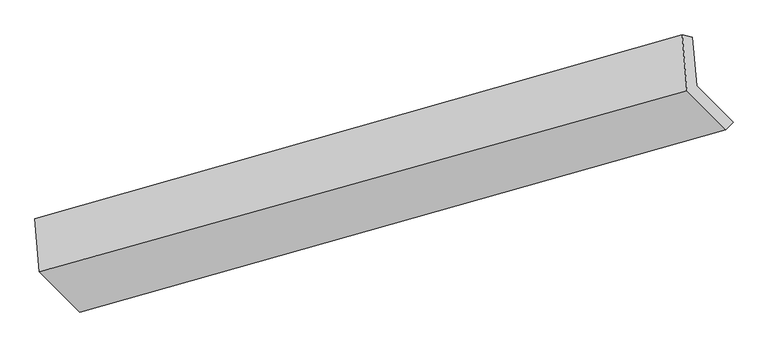
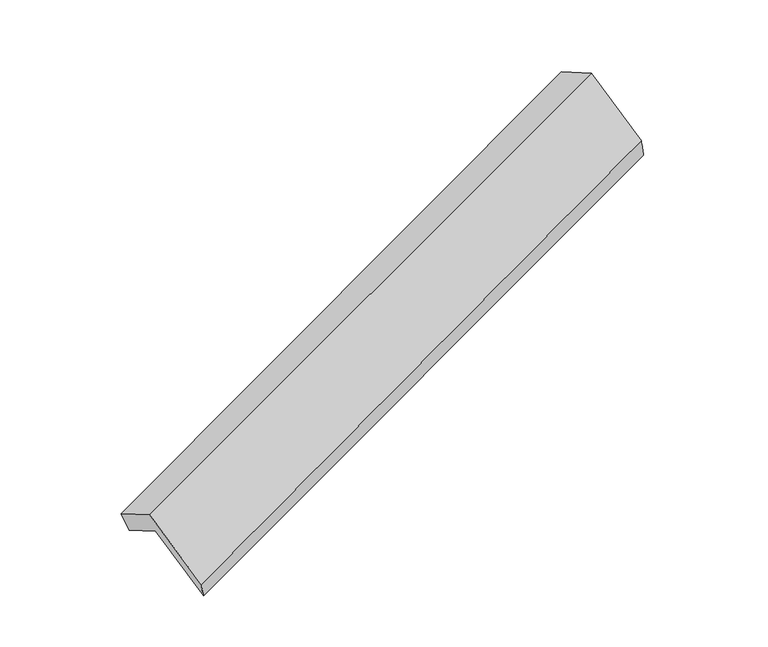
"""IFC4 building model written with IfcOpenShell, lengths in millimetres: proxy geometry."""

from ifc_helpers import new_model, si_unit, frame, origin, place, context, project, spatial, source, transform, mapped, element, save
from ifc_brep_helpers import plane_surface, spline_surface, advanced_brep


def generic_models_5de1bd8e(model_context):
    return source(origin(), model_context, "Body", "AdvancedBrep", [
        advanced_brep(
        [(-5118.0118847, -2150.045026, 1274.4123612), (-5146.5438012, -1812.8623243, 1090.1751173), (-723.6239592, -568.2817796, 2682.99449), (-695.8325706, -896.7131171, 2862.4499725), (-5207.8311528, -1803.8889041, 1253.3454705), (-793.0917912, -551.0953102, 2862.4628665), (-5177.2230893, -2165.6069672, 1450.9888807), (-761.0026719, -930.3161018, 3069.6697995), (-4903.1041528, -2440.8172527, 904.8599651), (-495.0642156, -1197.3133381, 2539.8389073), (-4864.4954735, -2404.5707614, 769.329989), (-446.4063995, -1147.1323279, 2365.516612)],
        [
            (0, 1),
            (1, 2),
            (2, 3),
            (3, 0),
            (1, 4),
            (4, 5),
            (5, 2),
            (4, 6),
            (6, 7),
            (7, 5),
            (6, 8),
            (8, 9),
            (9, 7),
            (8, 10),
            (10, 11),
            (11, 9),
            (10, 0),
            (3, 11),
        ],
        [
            plane_surface(frame((-5132.2778429, -1981.4536752, 1182.2937393), z_axis=(0.40902401435904173, -0.4106524604337981, -0.8149011672695545), x_axis=(-0.07405278870830304, 0.8751364253493438, -0.47817614067547953))),
            spline_surface(1, 1, [[(-5146.5438012, -1812.8623243, 1090.1751173), (-723.6239592, -568.2817796, 2682.99449)], [(-5207.8311528, -1803.8889041, 1253.3454705), (-793.0917912, -551.0953102, 2862.4628665)]], [2, 2], [2, 2], [0.0, 1.0], [0.0, 1.0]),
            plane_surface(frame((-5192.5271211, -1984.7479356, 1352.1671756), z_axis=(-0.41276110925924575, 0.40959642016611286, 0.8135471954780389), x_axis=(0.07405278870832598, -0.875136425349342, 0.4781761406754792))),
            plane_surface(frame((-5040.163621, -2303.2121099, 1177.9244229), z_axis=(0.07031160834573022, -0.8761815914825034, 0.4768250166245729), x_axis=(0.4090240143590431, -0.41065246043378595, -0.8149011672695599))),
            spline_surface(1, 1, [[(-4903.1041528, -2440.8172527, 904.8599651), (-495.0642156, -1197.3133381, 2539.8389073)], [(-4864.4954735, -2404.5707614, 769.329989), (-446.4063995, -1147.1323279, 2365.516612)]], [2, 2], [2, 2], [0.0, 1.0], [0.0, 1.0]),
            plane_surface(frame((-4991.2536791, -2277.3078937, 1021.8711751), z_axis=(-0.07592292104340112, 0.8746082880441943, -0.4788486739510106), x_axis=(-0.409024014359047, 0.4106524604337786, 0.8149011672695616))),
            plane_surface(frame((-652.5036013, -881.8086624, 2730.4887746), z_axis=(0.9095139032264028, 0.2559312285878036, 0.3275418539231457), x_axis=(0.2590749262681382, 0.26718506021697574, -0.9281661091507327))),
            plane_surface(frame((-5069.5349257, -2129.6318726, 1123.851964), z_axis=(-0.9095139032264047, -0.25593122858777634, -0.32754185392316193), x_axis=(0.40902401435904834, -0.41065246043378073, -0.81490116726956))),
        ],
        [
            (0, [[1, 2, 3, 4]]),
            (1, [[5, 6, 7, -2]]),
            (2, [[8, 9, 10, -6]]),
            (3, [[11, 12, 13, -9]]),
            (4, [[14, 15, 16, -12]]),
            (5, [[17, -4, 18, -15]]),
            (6, [[-16, -18, -3, -7, -10, -13]]),
            (7, [[-17, -14, -11, -8, -5, -1]]),
        ],
    ),
    ])


if __name__ == "__main__":
    model = new_model("IFC4")
    model_context = context("Model", 3, world=origin())
    ifc_project = project(units=[si_unit("LENGTHUNIT", "METRE", prefix="MILLI")], contexts=[model_context])
    site = spatial("IfcSite", under=ifc_project)
    building = spatial("IfcBuilding", under=site)
    placement = place(None, origin())
    generic_models_shape = generic_models_5de1bd8e(model_context)
    element("IfcBuildingElementProxy", 1, Name="Generic Models", at=placement, inside=building, context=model_context, shape_type="MappedRepresentation", body=[
        mapped(generic_models_shape, transform((0.0, 0.0, 0.0), x_axis=(1.0, 0.0, 0.0), y_axis=(0.0, 1.0, 0.0), z_axis=(0.0, 0.0, 1.0))),
    ])
    save(model, "model.ifc")
